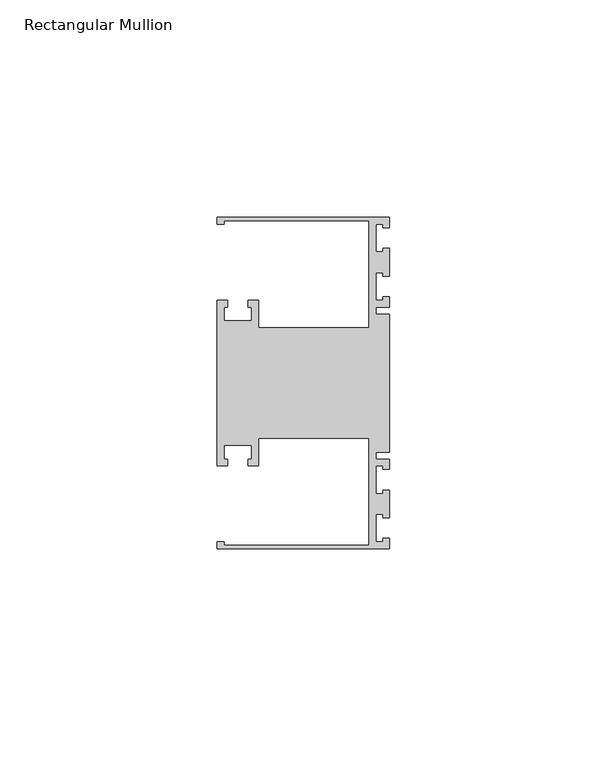
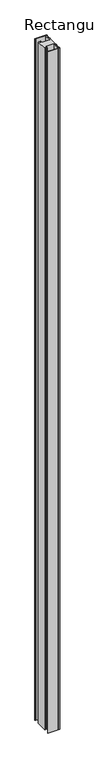
"""IFC4 building model written with IfcOpenShell, lengths in millimetres: member geometry, Rectangular Mullion."""

from ifc_helpers import new_model, si_unit, frame, origin, place, context, project, spatial, polyline, outline, extrude, source, transform, mapped, element, save


def rectangular_mullion_f6107a77(model_context):
    return source(origin(), model_context, "Body", "SweptSolid", [
        extrude(outline(polyline([(0.0, -38.1), (-39.6875, -38.1), (-39.6875, -36.5125), (-38.1, -36.5125), (-38.1, -37.30625), (-4.7625, -37.30625), (-4.7625, -12.7), (-30.1625, -12.7), (-30.1625, -19.05), (-32.54375, -19.05), (-32.54375, -17.4625), (-31.75, -17.4625), (-31.75, -14.2875), (-38.1, -14.2875), (-38.1, -17.4625), (-37.30625, -17.4625), (-37.30625, -19.05), (-39.6875, -19.05), (-39.6875, 19.05), (-37.30625, 19.05), (-37.30625, 17.4625), (-38.1, 17.4625), (-38.1, 14.2875), (-31.75, 14.2875), (-31.75, 17.4625), (-32.54375, 17.4625), (-32.54375, 19.05), (-30.1625, 19.05), (-30.1625, 12.7), (-4.7625, 12.7), (-4.7625, 37.30625), (-38.1, 37.30625), (-38.1, 36.5125), (-39.6875, 36.5125), (-39.6875, 38.1), (0.0, 38.1), (0.0, 35.71875), (-1.4999946, 35.71875), (-1.4999946, 36.5125), (-3.175, 36.5125), (-3.175, 30.1625), (-1.4999946, 30.1625), (-1.4999946, 30.95625), (0.0, 30.95625), (0.0, 24.60625), (-1.4999946, 24.60625), (-1.4999946, 25.4), (-3.175, 25.4), (-3.175, 19.05), (-1.4999946, 19.05), (-1.4999946, 19.84375), (0.0, 19.84375), (0.0, 17.4625), (-3.175, 17.4625), (-3.175, 15.875), (0.0, 15.875), (0.0, -15.875), (-3.175, -15.875), (-3.175, -17.4625), (0.0, -17.4625), (0.0, -19.84375), (-1.4999946, -19.84375), (-1.4999946, -19.05), (-3.175, -19.05), (-3.175, -25.4), (-1.4999946, -25.4), (-1.4999946, -24.60625), (0.0, -24.60625), (0.0, -30.95625), (-1.4999946, -30.95625), (-1.4999946, -30.1625), (-3.175, -30.1625), (-3.175, -36.5125), (-1.4999946, -36.5125), (-1.4999946, -35.71875), (0.0, -35.71875), (0.0, -38.1)])), frame((0.0, 0.0, -2438.4), z_axis=(0.0, 0.0, 1.0), x_axis=(1.0, 0.0, 0.0)), (0.0, 0.0, 1.0), 2438.4),
    ])


if __name__ == "__main__":
    model = new_model("IFC4")
    model_context = context("Model", 3, world=origin())
    ifc_project = project(units=[si_unit("LENGTHUNIT", "METRE", prefix="MILLI")], contexts=[model_context])
    site = spatial("IfcSite", under=ifc_project)
    building = spatial("IfcBuilding", under=site)
    placement = place(None, origin())
    rectangular_mullion_shape = rectangular_mullion_f6107a77(model_context)
    element("IfcMember", 1, ObjectType="Rectangular Mullion", at=placement, inside=building, context=model_context, shape_type="MappedRepresentation", body=[
        mapped(rectangular_mullion_shape, transform((0.0, 0.0, 0.0), x_axis=(1.0, 0.0, 0.0), y_axis=(0.0, 1.0, 0.0), z_axis=(0.0, 0.0, 1.0))),
    ])
    save(model, "model.ifc")
